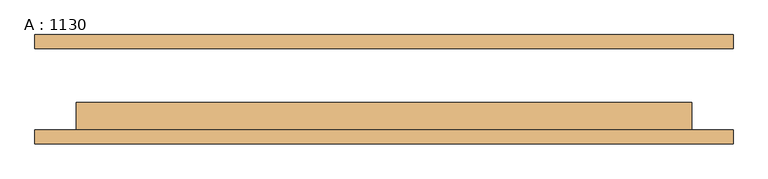
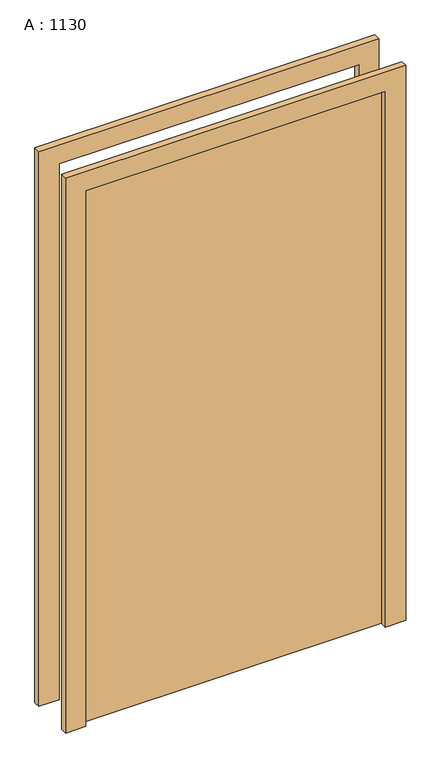
"""IFC4 building model written with IfcOpenShell, lengths in millimetres: door geometry, A : 1130."""

from ifc_helpers import new_model, si_unit, frame, origin, origin_with_axes, place, context, project, spatial, polyline, outline, extrude, source, transform, mapped, element, save


def a_1130_786047c7(model_context):
    return source(origin(), model_context, "Body", "SweptSolid", [
        extrude(outline(polyline([(2209.8, -641.2), (0.0, -641.2), (0.0, -565.0), (2133.6, -565.0), (2133.6, 565.0), (0.0, 565.0), (0.0, 641.2), (2209.8, 641.2), (2209.8, -641.2)])), frame((0.0, -100.375, 0.0), z_axis=(0.0, 1.0, 0.0), x_axis=(0.0, 0.0, 1.0)), (0.0, 0.0, 1.0), 25.4),
        extrude(outline(polyline([(2209.8, 641.2), (2209.8, -641.2), (0.0, -641.2), (0.0, -565.0), (2133.6, -565.0), (2133.6, 565.0), (0.0, 565.0), (0.0, 641.2), (2209.8, 641.2)])), frame((0.0, 74.975, 0.0), z_axis=(0.0, 1.0, 0.0), x_axis=(0.0, 0.0, 1.0)), (0.0, 0.0, 1.0), 25.4),
        extrude(outline(polyline([(565.0, -24.175), (565.0, -74.975), (-565.0, -74.975), (-565.0, -24.175), (565.0, -24.175)])), origin_with_axes(), (0.0, 0.0, 1.0), 2133.6),
    ])


if __name__ == "__main__":
    model = new_model("IFC4")
    model_context = context("Model", 3, world=origin())
    ifc_project = project(units=[si_unit("LENGTHUNIT", "METRE", prefix="MILLI")], contexts=[model_context])
    site = spatial("IfcSite", under=ifc_project)
    building = spatial("IfcBuilding", under=site)
    placement = place(None, origin())
    a_1130_shape = a_1130_786047c7(model_context)
    element("IfcDoor", 1, ObjectType="A : 1130", at=placement, inside=building, context=model_context, shape_type="MappedRepresentation", body=[
        mapped(a_1130_shape, transform((0.0, 0.0, 0.0), x_axis=(1.0, 0.0, 0.0), y_axis=(0.0, 1.0, 0.0), z_axis=(0.0, 0.0, 1.0))),
    ])
    save(model, "model.ifc")
